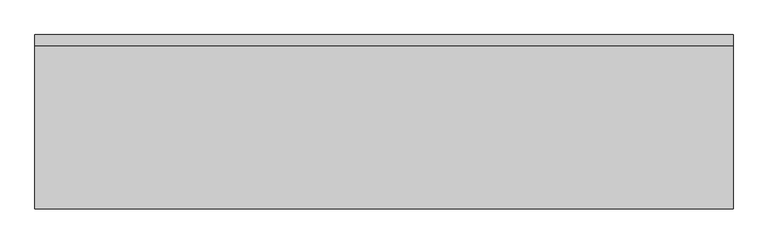
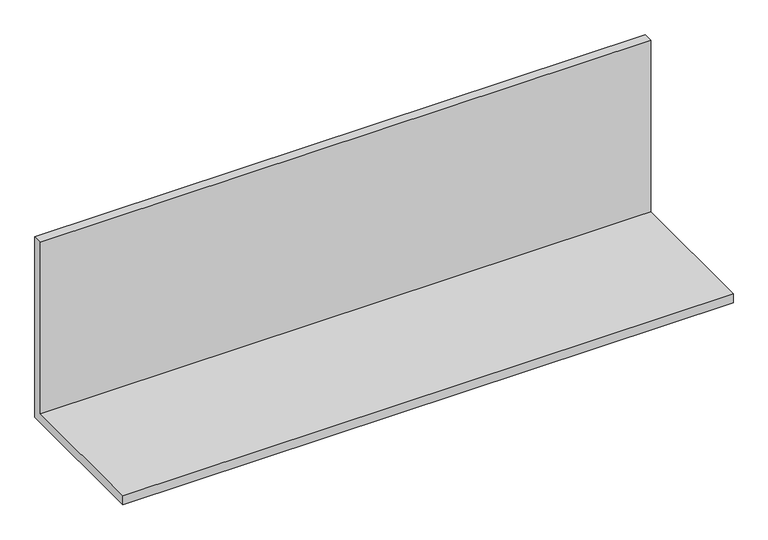
"""IFC4 building model written with IfcOpenShell, lengths in millimetres: furniture geometry."""

from ifc_helpers import new_model, si_unit, frame, origin, place, context, project, spatial, polyline, outline, extrude, source, transform, mapped, element, save


def furniture_b0f5ca52(model_context):
    return source(origin(), model_context, "Body", "SweptSolid", [
        extrude(outline(polyline([(57.15, 1311.275), (-247.65, 1311.275), (-247.65, 1330.325), (38.1, 1330.325), (38.1, 1692.275), (57.15, 1692.275), (57.15, 1311.275)])), frame((0.0, 0.0, 0.0), z_axis=(1.0, 0.0, 0.0), x_axis=(0.0, 1.0, 0.0)), (0.0, 0.0, 1.0), 1219.2),
    ])


if __name__ == "__main__":
    model = new_model("IFC4")
    model_context = context("Model", 3, world=origin())
    ifc_project = project(units=[si_unit("LENGTHUNIT", "METRE", prefix="MILLI")], contexts=[model_context])
    site = spatial("IfcSite", under=ifc_project)
    building = spatial("IfcBuilding", under=site)
    placement = place(None, origin())
    furniture_shape = furniture_b0f5ca52(model_context)
    element("IfcFurniture", 1, at=placement, inside=building, context=model_context, shape_type="MappedRepresentation", body=[
        mapped(furniture_shape, transform((0.0, 0.0, 0.0), x_axis=(1.0, 0.0, 0.0), y_axis=(0.0, 1.0, 0.0), z_axis=(0.0, 0.0, 1.0))),
    ])
    save(model, "model.ifc")
